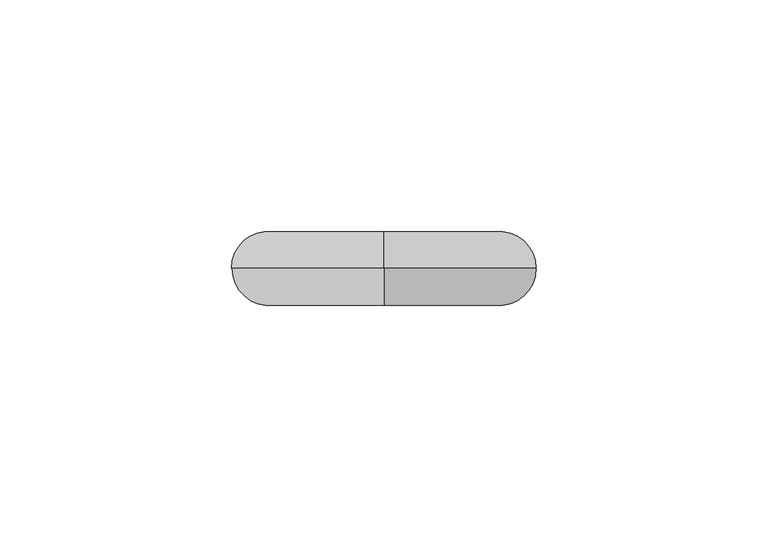
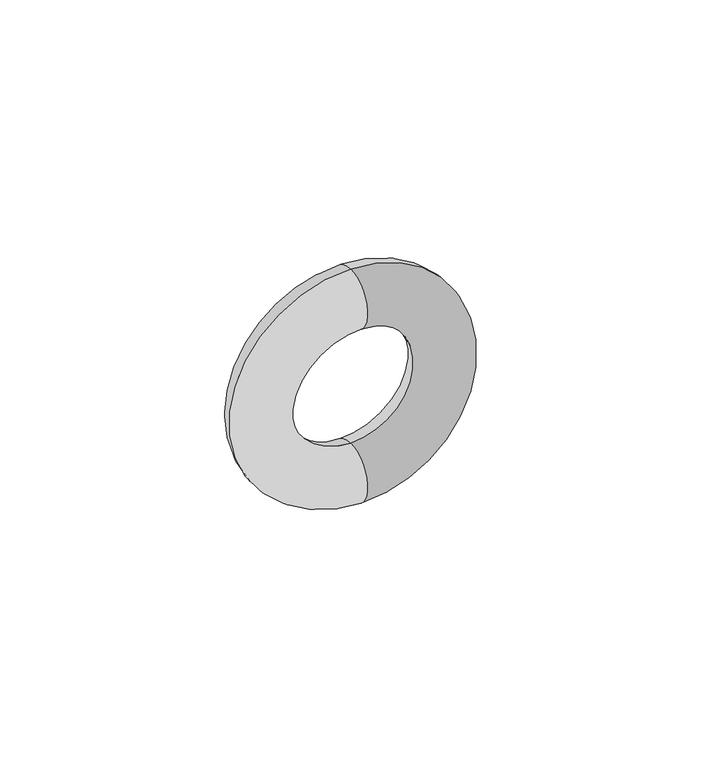
"""IFC4 building model written with IfcOpenShell, lengths in millimetres: proxy geometry."""

from ifc_helpers import new_model, si_unit, point, frame, origin, place, context, project, spatial, circle_curve, ellipse_curve, trimmed, source, transform, mapped, element, save
from ifc_brep_helpers import revolved_surface, advanced_brep


def generic_models_e6c42867(model_context):
    return source(origin(), model_context, "Body", "AdvancedBrep", [
        advanced_brep(
        [(0.0, 446.3849837, 33.0), (0.0, 446.3849837, -33.0), (0.0, 446.3849837, -17.0), (0.0, 446.3849837, 17.0)],
        [
            (0, 1, circle_curve(frame((0.0, 446.3849837, 0.0), z_axis=(0.0, -1.0, 0.0), x_axis=(0.0, 0.0, 1.0)), 33.0)),
            (1, 2, circle_curve(frame((0.0, 446.3849837, -25.0), z_axis=(-1.0, 0.0, 0.0), x_axis=(0.0, 0.0, -1.0)), 8.0)),
            (2, 3, circle_curve(frame((0.0, 446.3849837, 0.0), z_axis=(0.0, 1.0, 0.0), x_axis=(0.0, 0.0, 1.0)), 17.0)),
            (3, 0, circle_curve(frame((0.0, 446.3849837, 25.0), z_axis=(-1.0, 0.0, 0.0), x_axis=(0.0, 0.0, 1.0)), 8.0)),
            (1, 0, circle_curve(frame((0.0, 446.3849837, 0.0), z_axis=(0.0, -1.0, 0.0), x_axis=(0.0, 0.0, -1.0)), 33.0)),
            (3, 2, circle_curve(frame((0.0, 446.3849837, 0.0), z_axis=(0.0, 1.0, 0.0), x_axis=(0.0, 0.0, -1.0)), 17.0)),
            (1, 2, circle_curve(frame((0.0, 446.3849837, -25.0), z_axis=(1.0, 0.0, 0.0), x_axis=(0.0, 0.0, -1.0)), 8.0)),
            (3, 0, circle_curve(frame((0.0, 446.3849837, 25.0), z_axis=(1.0, 0.0, 0.0), x_axis=(0.0, 0.0, 1.0)), 8.0)),
        ],
        [
            revolved_surface(trimmed(ellipse_curve(frame((0.0, 446.3849837, 25.0), z_axis=(1.0, 0.0, 0.0), x_axis=(0.0, 0.0, 1.0)), 8.0, 8.0), [point((0.0, 446.3849837, 33.0))], [point((0.0, 446.3849837, 17.0))], True, "CARTESIAN"), (0.0, 446.3849837, 0.0), (0.0, -1.0, 0.0)),
            revolved_surface(trimmed(ellipse_curve(frame((0.0, 446.3849837, -25.0), z_axis=(-1.0, 0.0, 0.0), x_axis=(0.0, 0.0, -1.0)), 8.0, 8.0), [point((0.0, 446.3849837, -33.0))], [point((0.0, 446.3849837, -17.0))], True, "CARTESIAN"), (0.0, 446.3849837, 0.0), (0.0, -1.0, 0.0)),
            revolved_surface(trimmed(ellipse_curve(frame((0.0, 446.3849837, -25.0), z_axis=(-1.0, 0.0, 0.0), x_axis=(0.0, 0.0, -1.0)), 8.0, 8.0), [point((0.0, 446.3849837, -17.0))], [point((0.0, 446.3849837, -33.0))], True, "CARTESIAN"), (0.0, 446.3849837, 0.0), (0.0, -1.0, 0.0)),
            revolved_surface(trimmed(ellipse_curve(frame((0.0, 446.3849837, 25.0), z_axis=(1.0, 0.0, 0.0), x_axis=(0.0, 0.0, 1.0)), 8.0, 8.0), [point((0.0, 446.3849837, 17.0))], [point((0.0, 446.3849837, 33.0))], True, "CARTESIAN"), (0.0, 446.3849837, 0.0), (0.0, -1.0, 0.0)),
        ],
        [
            (0, [[1, 2, 3, 4]]),
            (1, [[5, -4, 6, -2]]),
            (2, [[-5, 7, -6, 8]]),
            (3, [[-1, -8, -3, -7]]),
        ],
    ),
    ])


if __name__ == "__main__":
    model = new_model("IFC4")
    model_context = context("Model", 3, world=origin())
    ifc_project = project(units=[si_unit("LENGTHUNIT", "METRE", prefix="MILLI")], contexts=[model_context])
    site = spatial("IfcSite", under=ifc_project)
    building = spatial("IfcBuilding", under=site)
    placement = place(None, origin())
    generic_models_shape = generic_models_e6c42867(model_context)
    element("IfcBuildingElementProxy", 1, Name="Generic Models", at=placement, inside=building, context=model_context, shape_type="MappedRepresentation", body=[
        mapped(generic_models_shape, transform((0.0, 0.0, 0.0), x_axis=(1.0, 0.0, 0.0), y_axis=(0.0, 1.0, 0.0), z_axis=(0.0, 0.0, 1.0))),
    ])
    save(model, "model.ifc")
